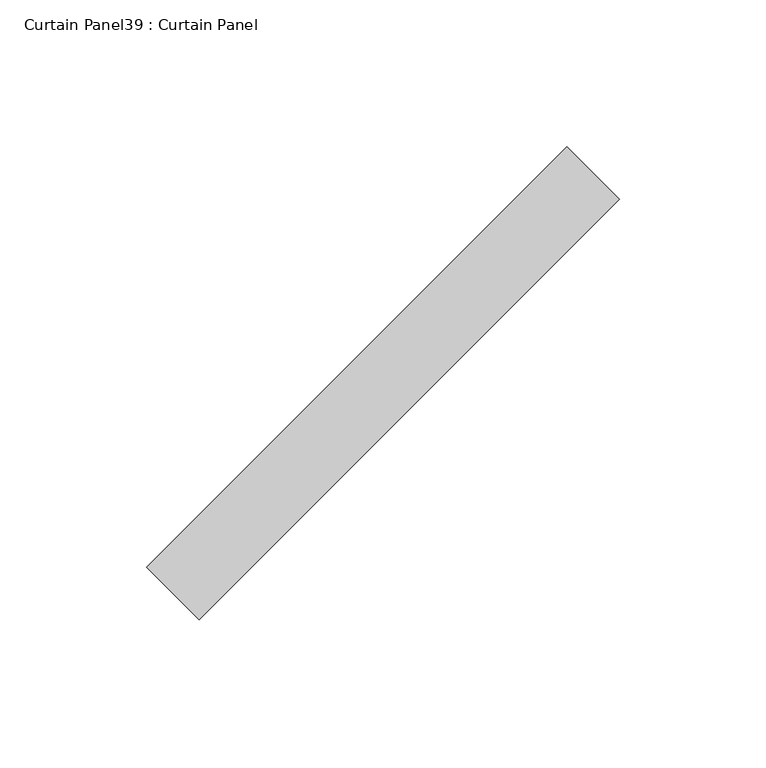
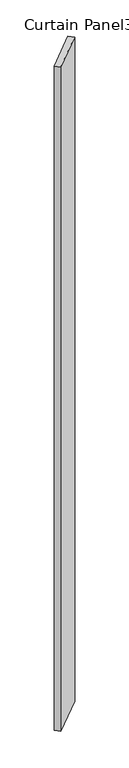
"""IFC4 building model written with IfcOpenShell, lengths in millimetres: plate geometry, Curtain Panel39 : Curtain Panel."""

from ifc_helpers import new_model, si_unit, frame, origin, place, context, project, spatial, polyline, outline, extrude, source, transform, mapped, element, save


def curtain_panel39_curtain_panel_fa091e0a(model_context):
    return source(origin(), model_context, "Body", "SweptSolid", [
        extrude(outline(polyline([(53444.0977321, 2175.2556049), (53300.5379823, 2031.6958552), (53282.5774701, 2049.6563674), (53426.1372198, 2193.2161172), (53444.0977321, 2175.2556049)])), frame((0.0, 0.0, -626.2681873), z_axis=(0.0, 0.0, 1.0), x_axis=(1.0, 0.0, 0.0)), (0.0, 0.0, 1.0), 3048.0),
    ])


if __name__ == "__main__":
    model = new_model("IFC4")
    model_context = context("Model", 3, world=origin())
    ifc_project = project(units=[si_unit("LENGTHUNIT", "METRE", prefix="MILLI")], contexts=[model_context])
    site = spatial("IfcSite", under=ifc_project)
    building = spatial("IfcBuilding", under=site)
    placement = place(None, origin())
    curtain_panel39_curtain_panel_shape = curtain_panel39_curtain_panel_fa091e0a(model_context)
    element("IfcPlate", 1, ObjectType="Curtain Panel39 : Curtain Panel", at=placement, inside=building, context=model_context, shape_type="MappedRepresentation", body=[
        mapped(curtain_panel39_curtain_panel_shape, transform((0.0, 0.0, 0.0), x_axis=(1.0, 0.0, 0.0), y_axis=(0.0, 1.0, 0.0), z_axis=(0.0, 0.0, 1.0))),
    ])
    save(model, "model.ifc")
